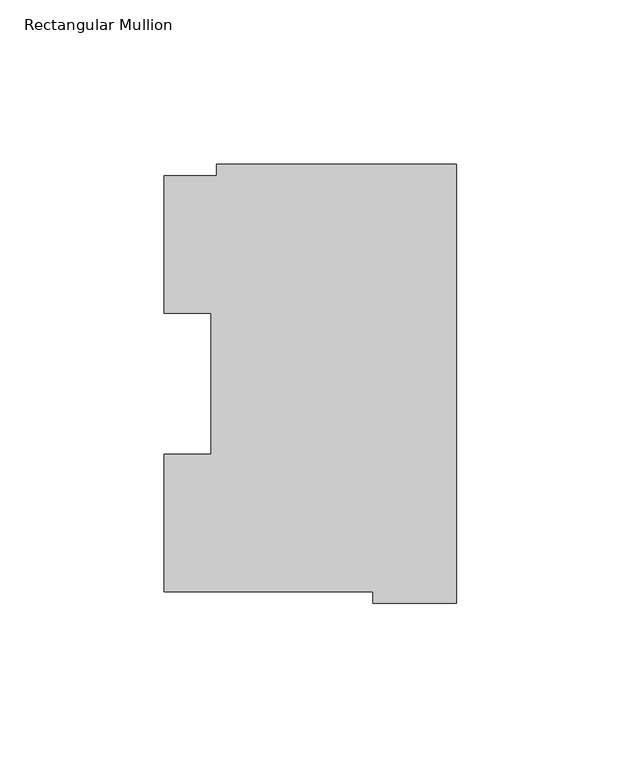
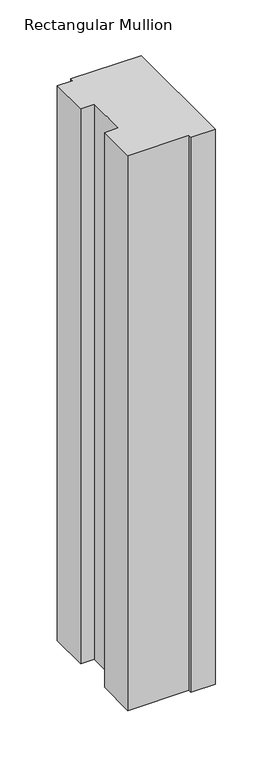
"""IFC4 building model written with IfcOpenShell, lengths in millimetres: member geometry, Rectangular Mullion."""

import ifcopenshell
import ifcopenshell.guid

model = None  # the IFC model being written
_history = None  # IfcOwnerHistory: only IFC2X3 demands one
_inside = {}  # id of a spatial element -> (the spatial element, [elements in it])
_under = {}  # id of a project, library or spatial element -> (it, [spatial elements below it])
_declared = {}  # id of a project -> (the project, [libraries it declares])
_typed = {}  # id of a type object -> (the type object, [elements of that type])
_made_of = {}  # id of a material, layer set ... -> (it, [elements and type objects made of it])


def new_model(schema):
    """Start an empty IFC model of exactly this schema.

    Asked for "IFC4X3", IfcOpenShell would pick the latest addendum, in which some entities
    have other attributes; the version numbers below select the first issue.
    IFC2X3 requires an IfcOwnerHistory on every rooted entity: one is made here for all.
    """
    global model, _history
    if schema == "IFC4X3":
        model = ifcopenshell.file(schema_version=(4, 3, 0, 0))
    else:
        model = ifcopenshell.file(schema=schema)
    _inside.clear()
    _under.clear()
    _declared.clear()
    _typed.clear()
    _made_of.clear()
    _history = None
    if model.schema == "IFC2X3":
        org = make("IfcOrganization", Name="unknown")
        user = make(
            "IfcPersonAndOrganization",
            ThePerson=make("IfcPerson", FamilyName="unknown"),
            TheOrganization=org,
        )
        app = make(
            "IfcApplication",
            ApplicationDeveloper=org,
            Version="unknown",
            ApplicationFullName="unknown",
            ApplicationIdentifier="unknown",
        )
        _history = make(
            "IfcOwnerHistory",
            OwningUser=user,
            OwningApplication=app,
            ChangeAction="ADDED",
            CreationDate=0,
        )
    return model


def make(cls, **values):
    """One entity of the class cls with the attributes given. An attribute that is None is left unset."""
    return model.create_entity(
        cls, **{name: value for name, value in values.items() if value is not None}
    )


def rooted(cls, **values):
    """An entity with a GlobalId (a new one), such as an element, a storey or a relation."""
    return make(cls, GlobalId=ifcopenshell.guid.new(), OwnerHistory=_history, **values)


def si_unit(unit_type, name, prefix=None):
    """IfcSIUnit, for example si_unit("LENGTHUNIT", "METRE", prefix="MILLI")."""
    return make("IfcSIUnit", UnitType=unit_type, Prefix=prefix, Name=name)


def assignment(units):
    """IfcUnitAssignment: the units of a project."""
    return None if units is None else make("IfcUnitAssignment", Units=units)


def point(xyz):
    """IfcCartesianPoint."""
    return None if xyz is None else make("IfcCartesianPoint", Coordinates=xyz)


def direction(xyz):
    """IfcDirection."""
    return None if xyz is None else make("IfcDirection", DirectionRatios=xyz)


def frame(location, z_axis=None, x_axis=None):
    """IfcAxis2Placement3D, a coordinate frame: its origin and axes. An axis left out is left unset."""
    return make(
        "IfcAxis2Placement3D",
        Location=point(location),
        Axis=direction(z_axis),
        RefDirection=direction(x_axis),
    )


def origin():
    """The frame at (0, 0, 0) with its axes left unset."""
    return frame((0.0, 0.0, 0.0))


def place(relative_to, where):
    """IfcLocalPlacement: puts the frame where relative to a parent placement (None: the world)."""
    return make(
        "IfcLocalPlacement", PlacementRelTo=relative_to, RelativePlacement=where
    )


def context(
    kind, dimensions, precision=None, world=None, true_north=None, identifier=None
):
    """IfcGeometricRepresentationContext, for example the 3D "Model" context."""
    return make(
        "IfcGeometricRepresentationContext",
        ContextIdentifier=identifier,
        ContextType=kind,
        CoordinateSpaceDimension=dimensions,
        Precision=precision,
        WorldCoordinateSystem=world,
        TrueNorth=true_north,
    )


def project(units=None, contexts=None):
    """IfcProject with its units and contexts."""
    return rooted(
        "IfcProject",
        Name="project",
        RepresentationContexts=contexts,
        UnitsInContext=assignment(units),
    )


def spatial(cls, under=None, at=None, **own):
    """A site, building, storey or space (cls), placed at a placement, below another one or the project."""
    s = rooted(cls, ObjectPlacement=at, **own)
    if under is not None:
        _under.setdefault(under.id(), (under, []))[1].append(s)
    return s


def polyline(points):
    """IfcPolyline through the points."""
    return make("IfcPolyline", Points=[point(p) for p in points])


def outline(outer, holes=None, kind="AREA"):
    """IfcArbitraryClosedProfileDef: a profile drawn as a closed curve; with holes, ...WithVoids."""
    if holes is None:
        return make("IfcArbitraryClosedProfileDef", ProfileType=kind, OuterCurve=outer)
    return make(
        "IfcArbitraryProfileDefWithVoids",
        ProfileType=kind,
        OuterCurve=outer,
        InnerCurves=holes,
    )


def extrude(swept, where, along, depth):
    """IfcExtrudedAreaSolid: the profile swept, set in the frame where, extruded along a direction by depth."""
    return make(
        "IfcExtrudedAreaSolid",
        SweptArea=swept,
        Position=where,
        ExtrudedDirection=direction(along),
        Depth=depth,
    )


def shape(context_of_items, identifier, shape_type, items):
    """IfcShapeRepresentation: the items that make up one representation, for example the "Body"."""
    return make(
        "IfcShapeRepresentation",
        ContextOfItems=context_of_items,
        RepresentationIdentifier=identifier,
        RepresentationType=shape_type,
        Items=items,
    )


def source(mapping_origin, context_of_items, identifier, shape_type, items):
    """IfcRepresentationMap: a shape defined once, which mapped items show again and again."""
    return make(
        "IfcRepresentationMap",
        MappingOrigin=mapping_origin,
        MappedRepresentation=shape(context_of_items, identifier, shape_type, items),
    )


def transform(
    local_origin,
    x_axis=None,
    y_axis=None,
    z_axis=None,
    scale=None,
    scale2=None,
    scale3=None,
    uniform=True,
):
    """IfcCartesianTransformationOperator3D, or its non-uniform kind. x_axis, y_axis, z_axis: its Axis1, 2, 3."""
    if uniform:
        return make(
            "IfcCartesianTransformationOperator3D",
            Axis1=direction(x_axis),
            Axis2=direction(y_axis),
            LocalOrigin=point(local_origin),
            Scale=scale,
            Axis3=direction(z_axis),
        )
    return make(
        "IfcCartesianTransformationOperator3DnonUniform",
        Axis1=direction(x_axis),
        Axis2=direction(y_axis),
        LocalOrigin=point(local_origin),
        Scale=scale,
        Axis3=direction(z_axis),
        Scale2=scale2,
        Scale3=scale3,
    )


def mapped(mapping_source, mapping_target):
    """IfcMappedItem: shows the shape of a source again, moved by a transform."""
    return make(
        "IfcMappedItem", MappingSource=mapping_source, MappingTarget=mapping_target
    )


def made_of(thing, what):
    """Note that an element or type object is made of a material, layer set ...; save() writes the relation."""
    if what is not None:
        _made_of.setdefault(what.id(), (what, []))[1].append(thing)
    return thing


def element(
    cls,
    number,
    at=None,
    inside=None,
    cuts=None,
    type_object=None,
    material=None,
    context=None,
    identifier="Body",
    shape_type=None,
    held_by="IfcProductDefinitionShape",
    body=None,
    shapes=None,
    **own,
):
    """One element of the class cls, such as IfcWall. Its Tag is "e" and its number.

    at: its placement. inside: the storey or other place that contains it. cuts: it is an
    opening in that element (IfcRelVoidsElement). A single representation is given by context,
    identifier, shape_type and body (its items); several are given by shapes. held_by: the class
    of the entity that holds the representations. save() writes the other relations.
    """
    e = rooted(cls, Tag="e%d" % number, ObjectPlacement=at, **own)
    if body is not None:
        shapes = [shape(context, identifier, shape_type, body)]
    if shapes is not None:
        e.Representation = make(held_by, Representations=shapes)
    if inside is not None:
        _inside.setdefault(inside.id(), (inside, []))[1].append(e)
    if cuts is not None:
        rooted(
            "IfcRelVoidsElement", RelatingBuildingElement=cuts, RelatedOpeningElement=e
        )
    if type_object is not None:
        _typed.setdefault(type_object.id(), (type_object, []))[1].append(e)
    return made_of(e, material)


def aggregate(whole, parts):
    """IfcRelAggregates: a whole, such as a stair, and the parts it consists of."""
    return rooted("IfcRelAggregates", RelatingObject=whole, RelatedObjects=parts)


def save(model, path):
    """Write the relations noted so far, then the file.

    IfcRelAggregates (storeys below a building ...), IfcRelContainedInSpatialStructure (elements
    in a storey), IfcRelDefinesByType, IfcRelAssociatesMaterial and IfcRelDeclares: one each for
    every whole, place, type object, material and project.
    """
    for whole, parts in _under.values():
        aggregate(whole, parts)
    for where, things in _inside.values():
        rooted(
            "IfcRelContainedInSpatialStructure",
            RelatedElements=things,
            RelatingStructure=where,
        )
    for kind, things in _typed.values():
        rooted("IfcRelDefinesByType", RelatedObjects=things, RelatingType=kind)
    for what, things in _made_of.values():
        rooted("IfcRelAssociatesMaterial", RelatedObjects=things, RelatingMaterial=what)
    for by, libraries in _declared.values():
        rooted("IfcRelDeclares", RelatingContext=by, RelatedDefinitions=libraries)
    model.write(path)


def rectangular_mullion_16a2cb31(model_context):
    return source(origin(), model_context, "Body", "SweptSolid", [
        extrude(outline(polyline([(-72.9776553, 129.8730275), (0.0, 129.8730275), (0.0, -3.4911943), (-25.3822228, -3.4911943), (-25.3822228, -0.0373063), (-88.8822228, -0.0373063), (-88.8822228, 41.7508474), (-74.5923808, 41.7508474), (-74.5923808, 84.6335938), (-88.8822228, 84.6335938), (-88.8822228, 126.4546938), (-72.9776553, 126.4546938), (-72.9776553, 129.8730275)])), frame((0.0, 0.0, -609.6), z_axis=(0.0, 0.0, 1.0), x_axis=(1.0, 0.0, 0.0)), (0.0, 0.0, 1.0), 609.6),
    ])


if __name__ == "__main__":
    model = new_model("IFC4")
    model_context = context("Model", 3, world=origin())
    ifc_project = project(units=[si_unit("LENGTHUNIT", "METRE", prefix="MILLI")], contexts=[model_context])
    site = spatial("IfcSite", under=ifc_project)
    building = spatial("IfcBuilding", under=site)
    placement = place(None, origin())
    rectangular_mullion_shape = rectangular_mullion_16a2cb31(model_context)
    element("IfcMember", 1, ObjectType="Rectangular Mullion", at=placement, inside=building, context=model_context, shape_type="MappedRepresentation", body=[
        mapped(rectangular_mullion_shape, transform((0.0, 0.0, 0.0), x_axis=(1.0, 0.0, 0.0), y_axis=(0.0, 1.0, 0.0), z_axis=(0.0, 0.0, 1.0))),
    ])
    save(model, "model.ifc")
